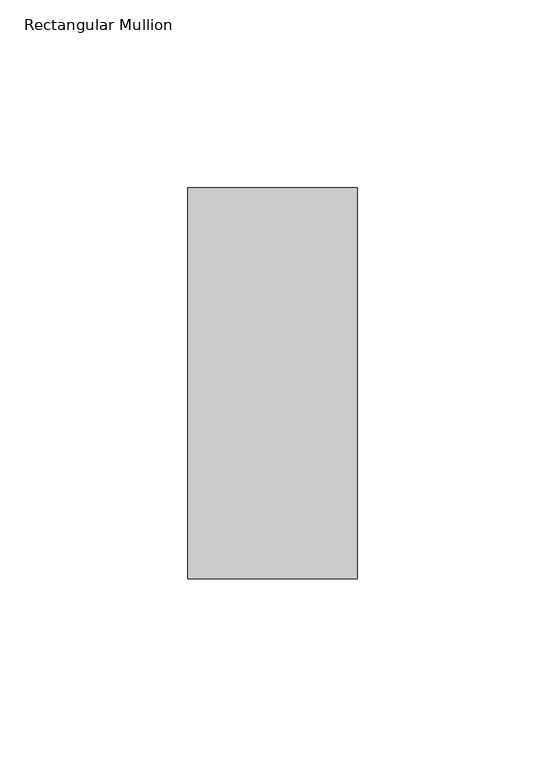
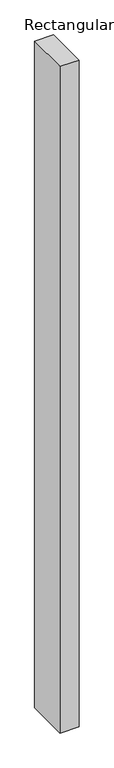
"""IFC4 building model written with IfcOpenShell, lengths in millimetres: member geometry, Rectangular Mullion."""

from ifc_helpers import new_model, si_unit, frame, origin, place, context, project, spatial, polyline, outline, extrude, source, transform, mapped, element, save


def rectangular_mullion_47c7e788(model_context):
    return source(origin(), model_context, "Body", "SweptSolid", [
        extrude(outline(polyline([(22.5, 67.525), (22.5, -36.525), (-22.5, -36.525), (-22.5, 67.525), (22.5, 67.525)])), frame((0.0, 0.0, -1674.2708705), z_axis=(0.0, 0.0, 1.0), x_axis=(1.0, 0.0, 0.0)), (0.0, 0.0, 1.0), 1674.2708705),
    ])


if __name__ == "__main__":
    model = new_model("IFC4")
    model_context = context("Model", 3, world=origin())
    ifc_project = project(units=[si_unit("LENGTHUNIT", "METRE", prefix="MILLI")], contexts=[model_context])
    site = spatial("IfcSite", under=ifc_project)
    building = spatial("IfcBuilding", under=site)
    placement = place(None, origin())
    rectangular_mullion_shape = rectangular_mullion_47c7e788(model_context)
    element("IfcMember", 1, ObjectType="Rectangular Mullion", at=placement, inside=building, context=model_context, shape_type="MappedRepresentation", body=[
        mapped(rectangular_mullion_shape, transform((0.0, 0.0, 0.0), x_axis=(1.0, 0.0, 0.0), y_axis=(0.0, 1.0, 0.0), z_axis=(0.0, 0.0, 1.0))),
    ])
    save(model, "model.ifc")
